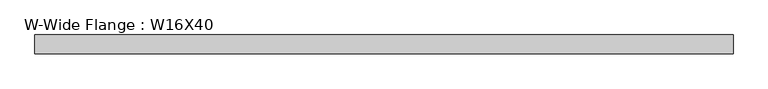
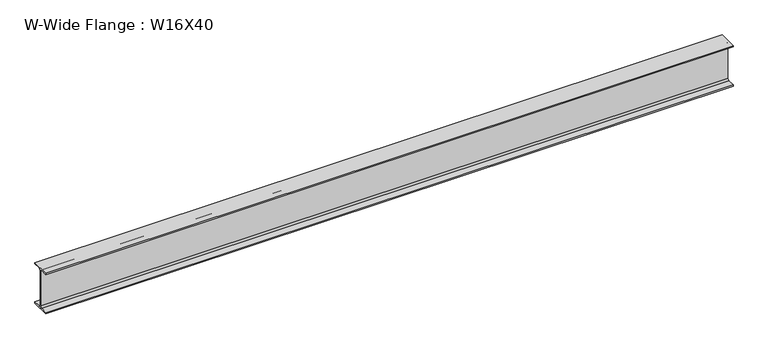
"""IFC4 building model written with IfcOpenShell, lengths in millimetres: beam geometry, W-Wide Flange : W16X40."""

from ifc_helpers import new_model, si_unit, point, frame, frame_2d, origin, place, context, project, spatial, polyline, circle_curve, trimmed, segment, composite_curve, outline, extrude, source, transform, mapped, element, save


def w_wide_flange_w16x40_98083ab0(model_context):
    return source(origin(), model_context, "Body", "SweptSolid", [
        extrude(outline(composite_curve([segment(polyline([(88.9, -190.4), (88.9, -203.2), (-88.9, -203.2), (-88.9, -190.4), (-21.25, -190.4)]), True, "CONTINUOUS"), segment(trimmed(circle_curve(frame_2d((-21.25, -173.0)), 17.4), [point((-21.25, -190.4))], [point((-3.85, -173.0))], True, "CARTESIAN"), True, "CONTINUOUS"), segment(polyline([(-3.85, -173.0), (-3.85, 173.0)]), True, "CONTINUOUS"), segment(trimmed(circle_curve(frame_2d((-21.25, 173.0)), 17.4), [point((-3.85, 173.0))], [point((-21.25, 190.4))], True, "CARTESIAN"), True, "CONTINUOUS"), segment(polyline([(-21.25, 190.4), (-88.9, 190.4), (-88.9, 203.2), (88.9, 203.2), (88.9, 190.4), (21.25, 190.4)]), True, "CONTINUOUS"), segment(trimmed(circle_curve(frame_2d((21.25, 173.0)), 17.4), [point((21.25, 190.4))], [point((3.85, 173.0))], True, "CARTESIAN"), True, "CONTINUOUS"), segment(polyline([(3.85, 173.0), (3.85, -173.0)]), True, "CONTINUOUS"), segment(trimmed(circle_curve(frame_2d((21.25, -173.0)), 17.4), [point((3.85, -173.0))], [point((21.25, -190.4))], True, "CARTESIAN"), True, "CONTINUOUS"), segment(polyline([(21.25, -190.4), (88.9, -190.4)]), True, "CONTINUOUS")], self_intersect=False)), frame((-1819.1523973, 0.0, 0.0), z_axis=(1.0, 0.0, 0.0), x_axis=(0.0, 1.0, 0.0)), (0.0, 0.0, 1.0), 6518.4684809),
    ])


if __name__ == "__main__":
    model = new_model("IFC4")
    model_context = context("Model", 3, world=origin())
    ifc_project = project(units=[si_unit("LENGTHUNIT", "METRE", prefix="MILLI")], contexts=[model_context])
    site = spatial("IfcSite", under=ifc_project)
    building = spatial("IfcBuilding", under=site)
    placement = place(None, origin())
    w_wide_flange_w16x40_shape = w_wide_flange_w16x40_98083ab0(model_context)
    element("IfcBeam", 1, ObjectType="W-Wide Flange : W16X40", at=placement, inside=building, context=model_context, shape_type="MappedRepresentation", body=[
        mapped(w_wide_flange_w16x40_shape, transform((0.0, 0.0, 0.0), x_axis=(1.0, 0.0, 0.0), y_axis=(0.0, 1.0, 0.0), z_axis=(0.0, 0.0, 1.0))),
    ])
    save(model, "model.ifc")
